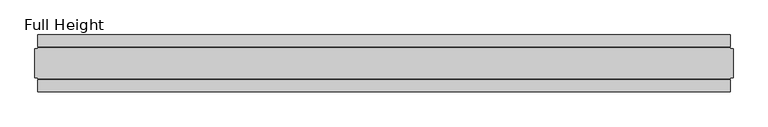
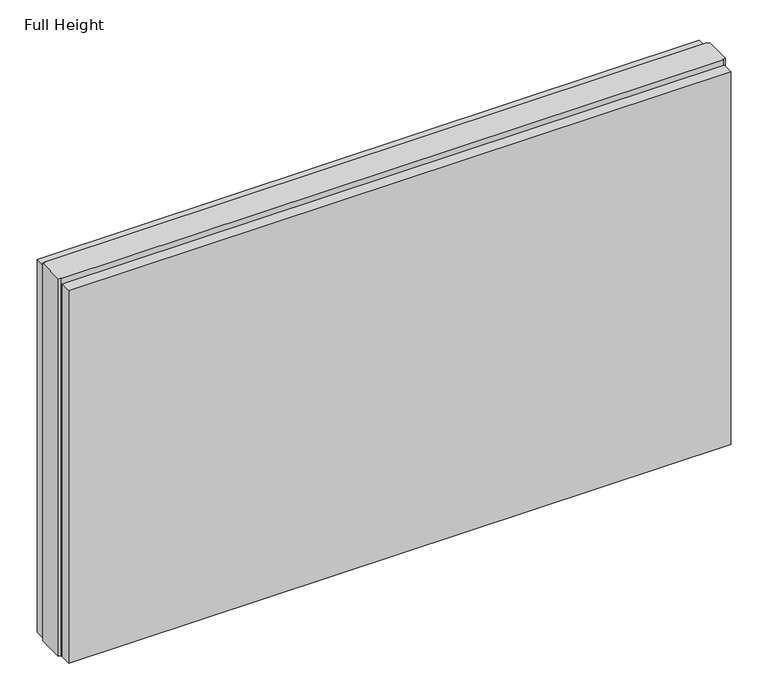
"""IFC4 building model written with IfcOpenShell, lengths in millimetres: plate geometry, Full Height."""

from ifc_helpers import new_model, si_unit, origin, origin_with_axes, place, context, project, spatial, polyline, outline, extrude, source, transform, mapped, element, save


def full_height_530e826f(model_context):
    return source(origin(), model_context, "Body", "SweptSolid", [
        extrude(outline(polyline([(605.028, 28.956), (-605.028, 28.956), (-605.028, 49.53), (605.028, 49.53), (605.028, 28.956)])), origin_with_axes(), (0.0, 0.0, 1.0), 720.852),
        extrude(outline(polyline([(605.028, -28.956), (605.028, -49.53), (-605.028, -49.53), (-605.028, -28.956), (605.028, -28.956)])), origin_with_axes(), (0.0, 0.0, 1.0), 720.852),
        extrude(outline(polyline([(605.028, -25.146), (605.028, -26.67), (-605.028, -26.67), (-605.028, -25.146), (-609.6, -25.146), (-609.6, 25.146), (-605.028, 25.146), (-605.028, 26.67), (605.028, 26.67), (605.028, 25.146), (609.6, 25.146), (609.6, -25.146), (605.028, -25.146)])), origin_with_axes(), (0.0, 0.0, 1.0), 729.996),
    ])


if __name__ == "__main__":
    model = new_model("IFC4")
    model_context = context("Model", 3, world=origin())
    ifc_project = project(units=[si_unit("LENGTHUNIT", "METRE", prefix="MILLI")], contexts=[model_context])
    site = spatial("IfcSite", under=ifc_project)
    building = spatial("IfcBuilding", under=site)
    placement = place(None, origin())
    full_height_shape = full_height_530e826f(model_context)
    element("IfcPlate", 1, ObjectType="Full Height", at=placement, inside=building, context=model_context, shape_type="MappedRepresentation", body=[
        mapped(full_height_shape, transform((0.0, 0.0, 0.0), x_axis=(1.0, 0.0, 0.0), y_axis=(0.0, 1.0, 0.0), z_axis=(0.0, 0.0, 1.0))),
    ])
    save(model, "model.ifc")
